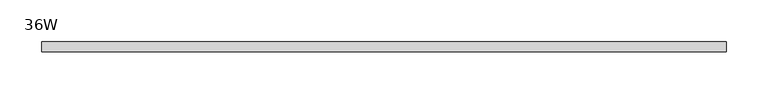
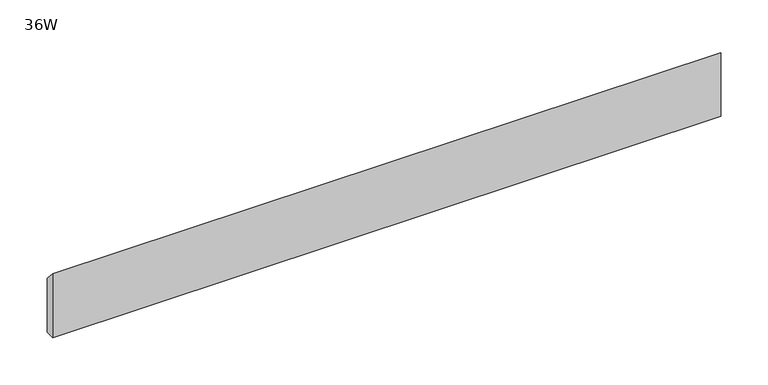
"""IFC4 building model written with IfcOpenShell, lengths in millimetres: furniture geometry, 36W."""

from ifc_helpers import new_model, si_unit, frame, origin, place, context, project, spatial, polyline, outline, extrude, source, transform, mapped, element, save


def furniture_36w_46a731b4(model_context):
    return source(origin(), model_context, "Body", "SweptSolid", [
        extrude(outline(polyline([(-11.938, 903.4272), (-11.938, 985.9772), (0.0, 973.2772), (0.0, 903.4272), (-11.938, 903.4272)])), frame((48.006, 0.0, 0.0), z_axis=(1.0, 0.0, 0.0), x_axis=(0.0, 1.0, 0.0)), (0.0, 0.0, 1.0), 818.388),
    ])


if __name__ == "__main__":
    model = new_model("IFC4")
    model_context = context("Model", 3, world=origin())
    ifc_project = project(units=[si_unit("LENGTHUNIT", "METRE", prefix="MILLI")], contexts=[model_context])
    site = spatial("IfcSite", under=ifc_project)
    building = spatial("IfcBuilding", under=site)
    placement = place(None, origin())
    furniture_36w_shape = furniture_36w_46a731b4(model_context)
    element("IfcFurniture", 1, ObjectType="36W", at=placement, inside=building, context=model_context, shape_type="MappedRepresentation", body=[
        mapped(furniture_36w_shape, transform((0.0, 0.0, 0.0), x_axis=(1.0, 0.0, 0.0), y_axis=(0.0, 1.0, 0.0), z_axis=(0.0, 0.0, 1.0))),
    ])
    save(model, "model.ifc")
